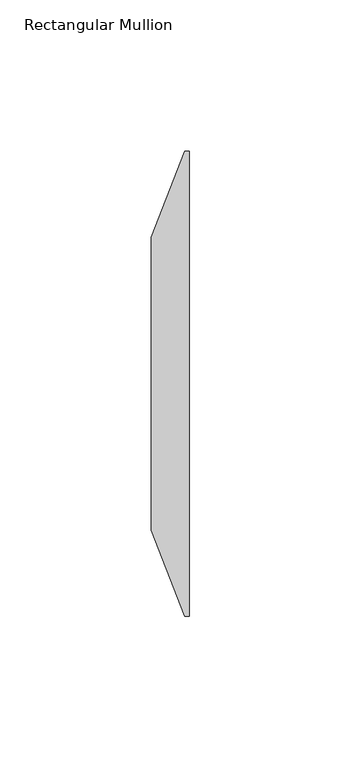
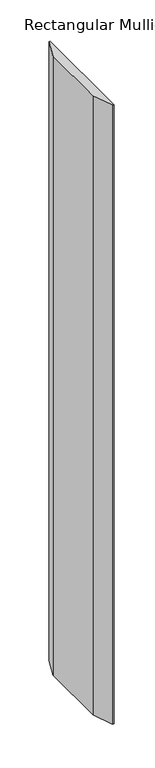
"""IFC4 building model written with IfcOpenShell, lengths in millimetres: member geometry, Rectangular Mullion."""

import ifcopenshell
import ifcopenshell.guid

model = None  # the IFC model being written
_history = None  # IfcOwnerHistory: only IFC2X3 demands one
_inside = {}  # id of a spatial element -> (the spatial element, [elements in it])
_under = {}  # id of a project, library or spatial element -> (it, [spatial elements below it])
_declared = {}  # id of a project -> (the project, [libraries it declares])
_typed = {}  # id of a type object -> (the type object, [elements of that type])
_made_of = {}  # id of a material, layer set ... -> (it, [elements and type objects made of it])


def new_model(schema):
    """Start an empty IFC model of exactly this schema.

    Asked for "IFC4X3", IfcOpenShell would pick the latest addendum, in which some entities
    have other attributes; the version numbers below select the first issue.
    IFC2X3 requires an IfcOwnerHistory on every rooted entity: one is made here for all.
    """
    global model, _history
    if schema == "IFC4X3":
        model = ifcopenshell.file(schema_version=(4, 3, 0, 0))
    else:
        model = ifcopenshell.file(schema=schema)
    _inside.clear()
    _under.clear()
    _declared.clear()
    _typed.clear()
    _made_of.clear()
    _history = None
    if model.schema == "IFC2X3":
        org = make("IfcOrganization", Name="unknown")
        user = make(
            "IfcPersonAndOrganization",
            ThePerson=make("IfcPerson", FamilyName="unknown"),
            TheOrganization=org,
        )
        app = make(
            "IfcApplication",
            ApplicationDeveloper=org,
            Version="unknown",
            ApplicationFullName="unknown",
            ApplicationIdentifier="unknown",
        )
        _history = make(
            "IfcOwnerHistory",
            OwningUser=user,
            OwningApplication=app,
            ChangeAction="ADDED",
            CreationDate=0,
        )
    return model


def make(cls, **values):
    """One entity of the class cls with the attributes given. An attribute that is None is left unset."""
    return model.create_entity(
        cls, **{name: value for name, value in values.items() if value is not None}
    )


def rooted(cls, **values):
    """An entity with a GlobalId (a new one), such as an element, a storey or a relation."""
    return make(cls, GlobalId=ifcopenshell.guid.new(), OwnerHistory=_history, **values)


def si_unit(unit_type, name, prefix=None):
    """IfcSIUnit, for example si_unit("LENGTHUNIT", "METRE", prefix="MILLI")."""
    return make("IfcSIUnit", UnitType=unit_type, Prefix=prefix, Name=name)


def assignment(units):
    """IfcUnitAssignment: the units of a project."""
    return None if units is None else make("IfcUnitAssignment", Units=units)


def point(xyz):
    """IfcCartesianPoint."""
    return None if xyz is None else make("IfcCartesianPoint", Coordinates=xyz)


def direction(xyz):
    """IfcDirection."""
    return None if xyz is None else make("IfcDirection", DirectionRatios=xyz)


def frame(location, z_axis=None, x_axis=None):
    """IfcAxis2Placement3D, a coordinate frame: its origin and axes. An axis left out is left unset."""
    return make(
        "IfcAxis2Placement3D",
        Location=point(location),
        Axis=direction(z_axis),
        RefDirection=direction(x_axis),
    )


def origin():
    """The frame at (0, 0, 0) with its axes left unset."""
    return frame((0.0, 0.0, 0.0))


def place(relative_to, where):
    """IfcLocalPlacement: puts the frame where relative to a parent placement (None: the world)."""
    return make(
        "IfcLocalPlacement", PlacementRelTo=relative_to, RelativePlacement=where
    )


def context(
    kind, dimensions, precision=None, world=None, true_north=None, identifier=None
):
    """IfcGeometricRepresentationContext, for example the 3D "Model" context."""
    return make(
        "IfcGeometricRepresentationContext",
        ContextIdentifier=identifier,
        ContextType=kind,
        CoordinateSpaceDimension=dimensions,
        Precision=precision,
        WorldCoordinateSystem=world,
        TrueNorth=true_north,
    )


def project(units=None, contexts=None):
    """IfcProject with its units and contexts."""
    return rooted(
        "IfcProject",
        Name="project",
        RepresentationContexts=contexts,
        UnitsInContext=assignment(units),
    )


def spatial(cls, under=None, at=None, **own):
    """A site, building, storey or space (cls), placed at a placement, below another one or the project."""
    s = rooted(cls, ObjectPlacement=at, **own)
    if under is not None:
        _under.setdefault(under.id(), (under, []))[1].append(s)
    return s


def polyline(points):
    """IfcPolyline through the points."""
    return make("IfcPolyline", Points=[point(p) for p in points])


def outline(outer, holes=None, kind="AREA"):
    """IfcArbitraryClosedProfileDef: a profile drawn as a closed curve; with holes, ...WithVoids."""
    if holes is None:
        return make("IfcArbitraryClosedProfileDef", ProfileType=kind, OuterCurve=outer)
    return make(
        "IfcArbitraryProfileDefWithVoids",
        ProfileType=kind,
        OuterCurve=outer,
        InnerCurves=holes,
    )


def extrude(swept, where, along, depth):
    """IfcExtrudedAreaSolid: the profile swept, set in the frame where, extruded along a direction by depth."""
    return make(
        "IfcExtrudedAreaSolid",
        SweptArea=swept,
        Position=where,
        ExtrudedDirection=direction(along),
        Depth=depth,
    )


def shape(context_of_items, identifier, shape_type, items):
    """IfcShapeRepresentation: the items that make up one representation, for example the "Body"."""
    return make(
        "IfcShapeRepresentation",
        ContextOfItems=context_of_items,
        RepresentationIdentifier=identifier,
        RepresentationType=shape_type,
        Items=items,
    )


def source(mapping_origin, context_of_items, identifier, shape_type, items):
    """IfcRepresentationMap: a shape defined once, which mapped items show again and again."""
    return make(
        "IfcRepresentationMap",
        MappingOrigin=mapping_origin,
        MappedRepresentation=shape(context_of_items, identifier, shape_type, items),
    )


def transform(
    local_origin,
    x_axis=None,
    y_axis=None,
    z_axis=None,
    scale=None,
    scale2=None,
    scale3=None,
    uniform=True,
):
    """IfcCartesianTransformationOperator3D, or its non-uniform kind. x_axis, y_axis, z_axis: its Axis1, 2, 3."""
    if uniform:
        return make(
            "IfcCartesianTransformationOperator3D",
            Axis1=direction(x_axis),
            Axis2=direction(y_axis),
            LocalOrigin=point(local_origin),
            Scale=scale,
            Axis3=direction(z_axis),
        )
    return make(
        "IfcCartesianTransformationOperator3DnonUniform",
        Axis1=direction(x_axis),
        Axis2=direction(y_axis),
        LocalOrigin=point(local_origin),
        Scale=scale,
        Axis3=direction(z_axis),
        Scale2=scale2,
        Scale3=scale3,
    )


def mapped(mapping_source, mapping_target):
    """IfcMappedItem: shows the shape of a source again, moved by a transform."""
    return make(
        "IfcMappedItem", MappingSource=mapping_source, MappingTarget=mapping_target
    )


def made_of(thing, what):
    """Note that an element or type object is made of a material, layer set ...; save() writes the relation."""
    if what is not None:
        _made_of.setdefault(what.id(), (what, []))[1].append(thing)
    return thing


def element(
    cls,
    number,
    at=None,
    inside=None,
    cuts=None,
    type_object=None,
    material=None,
    context=None,
    identifier="Body",
    shape_type=None,
    held_by="IfcProductDefinitionShape",
    body=None,
    shapes=None,
    **own,
):
    """One element of the class cls, such as IfcWall. Its Tag is "e" and its number.

    at: its placement. inside: the storey or other place that contains it. cuts: it is an
    opening in that element (IfcRelVoidsElement). A single representation is given by context,
    identifier, shape_type and body (its items); several are given by shapes. held_by: the class
    of the entity that holds the representations. save() writes the other relations.
    """
    e = rooted(cls, Tag="e%d" % number, ObjectPlacement=at, **own)
    if body is not None:
        shapes = [shape(context, identifier, shape_type, body)]
    if shapes is not None:
        e.Representation = make(held_by, Representations=shapes)
    if inside is not None:
        _inside.setdefault(inside.id(), (inside, []))[1].append(e)
    if cuts is not None:
        rooted(
            "IfcRelVoidsElement", RelatingBuildingElement=cuts, RelatedOpeningElement=e
        )
    if type_object is not None:
        _typed.setdefault(type_object.id(), (type_object, []))[1].append(e)
    return made_of(e, material)


def aggregate(whole, parts):
    """IfcRelAggregates: a whole, such as a stair, and the parts it consists of."""
    return rooted("IfcRelAggregates", RelatingObject=whole, RelatedObjects=parts)


def save(model, path):
    """Write the relations noted so far, then the file.

    IfcRelAggregates (storeys below a building ...), IfcRelContainedInSpatialStructure (elements
    in a storey), IfcRelDefinesByType, IfcRelAssociatesMaterial and IfcRelDeclares: one each for
    every whole, place, type object, material and project.
    """
    for whole, parts in _under.values():
        aggregate(whole, parts)
    for where, things in _inside.values():
        rooted(
            "IfcRelContainedInSpatialStructure",
            RelatedElements=things,
            RelatingStructure=where,
        )
    for kind, things in _typed.values():
        rooted("IfcRelDefinesByType", RelatedObjects=things, RelatingType=kind)
    for what, things in _made_of.values():
        rooted("IfcRelAssociatesMaterial", RelatedObjects=things, RelatingMaterial=what)
    for by, libraries in _declared.values():
        rooted("IfcRelDeclares", RelatingContext=by, RelatedDefinitions=libraries)
    model.write(path)


def rectangular_mullion_8aec8339(model_context):
    return source(origin(), model_context, "Body", "SweptSolid", [
        extrude(outline(polyline([(0.0, -50.8), (-1.5875, -50.8), (-12.7, -22.225), (-12.7, 74.6125), (-1.5875, 103.1875), (0.0, 103.1875), (0.0, -50.8)])), frame((0.0, 0.0, -914.4), z_axis=(0.0, 0.0, 1.0), x_axis=(1.0, 0.0, 0.0)), (0.0, 0.0, 1.0), 914.4),
    ])


if __name__ == "__main__":
    model = new_model("IFC4")
    model_context = context("Model", 3, world=origin())
    ifc_project = project(units=[si_unit("LENGTHUNIT", "METRE", prefix="MILLI")], contexts=[model_context])
    site = spatial("IfcSite", under=ifc_project)
    building = spatial("IfcBuilding", under=site)
    placement = place(None, origin())
    rectangular_mullion_shape = rectangular_mullion_8aec8339(model_context)
    element("IfcMember", 1, ObjectType="Rectangular Mullion", at=placement, inside=building, context=model_context, shape_type="MappedRepresentation", body=[
        mapped(rectangular_mullion_shape, transform((0.0, 0.0, 0.0), x_axis=(1.0, 0.0, 0.0), y_axis=(0.0, 1.0, 0.0), z_axis=(0.0, 0.0, 1.0))),
    ])
    save(model, "model.ifc")
